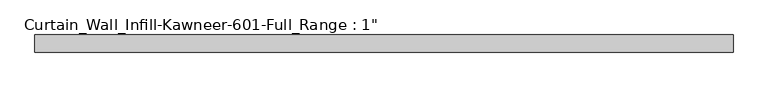
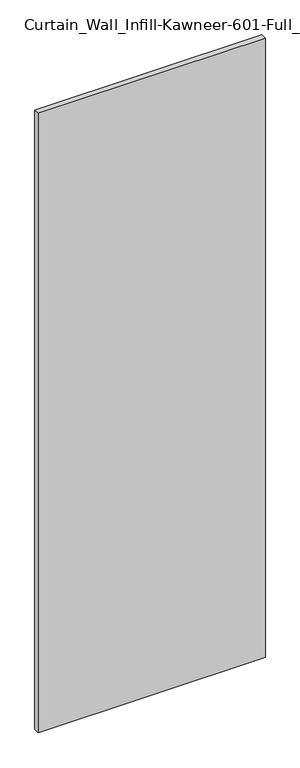
"""IFC4 building model written with IfcOpenShell, lengths in millimetres: plate geometry."""

import ifcopenshell
import ifcopenshell.guid

model = None  # the IFC model being written
_history = None  # IfcOwnerHistory: only IFC2X3 demands one
_inside = {}  # id of a spatial element -> (the spatial element, [elements in it])
_under = {}  # id of a project, library or spatial element -> (it, [spatial elements below it])
_declared = {}  # id of a project -> (the project, [libraries it declares])
_typed = {}  # id of a type object -> (the type object, [elements of that type])
_made_of = {}  # id of a material, layer set ... -> (it, [elements and type objects made of it])


def new_model(schema):
    """Start an empty IFC model of exactly this schema.

    Asked for "IFC4X3", IfcOpenShell would pick the latest addendum, in which some entities
    have other attributes; the version numbers below select the first issue.
    IFC2X3 requires an IfcOwnerHistory on every rooted entity: one is made here for all.
    """
    global model, _history
    if schema == "IFC4X3":
        model = ifcopenshell.file(schema_version=(4, 3, 0, 0))
    else:
        model = ifcopenshell.file(schema=schema)
    _inside.clear()
    _under.clear()
    _declared.clear()
    _typed.clear()
    _made_of.clear()
    _history = None
    if model.schema == "IFC2X3":
        org = make("IfcOrganization", Name="unknown")
        user = make(
            "IfcPersonAndOrganization",
            ThePerson=make("IfcPerson", FamilyName="unknown"),
            TheOrganization=org,
        )
        app = make(
            "IfcApplication",
            ApplicationDeveloper=org,
            Version="unknown",
            ApplicationFullName="unknown",
            ApplicationIdentifier="unknown",
        )
        _history = make(
            "IfcOwnerHistory",
            OwningUser=user,
            OwningApplication=app,
            ChangeAction="ADDED",
            CreationDate=0,
        )
    return model


def make(cls, **values):
    """One entity of the class cls with the attributes given. An attribute that is None is left unset."""
    return model.create_entity(
        cls, **{name: value for name, value in values.items() if value is not None}
    )


def rooted(cls, **values):
    """An entity with a GlobalId (a new one), such as an element, a storey or a relation."""
    return make(cls, GlobalId=ifcopenshell.guid.new(), OwnerHistory=_history, **values)


def si_unit(unit_type, name, prefix=None):
    """IfcSIUnit, for example si_unit("LENGTHUNIT", "METRE", prefix="MILLI")."""
    return make("IfcSIUnit", UnitType=unit_type, Prefix=prefix, Name=name)


def assignment(units):
    """IfcUnitAssignment: the units of a project."""
    return None if units is None else make("IfcUnitAssignment", Units=units)


def point(xyz):
    """IfcCartesianPoint."""
    return None if xyz is None else make("IfcCartesianPoint", Coordinates=xyz)


def direction(xyz):
    """IfcDirection."""
    return None if xyz is None else make("IfcDirection", DirectionRatios=xyz)


def frame(location, z_axis=None, x_axis=None):
    """IfcAxis2Placement3D, a coordinate frame: its origin and axes. An axis left out is left unset."""
    return make(
        "IfcAxis2Placement3D",
        Location=point(location),
        Axis=direction(z_axis),
        RefDirection=direction(x_axis),
    )


def origin():
    """The frame at (0, 0, 0) with its axes left unset."""
    return frame((0.0, 0.0, 0.0))


def origin_with_axes():
    """The frame at (0, 0, 0) with the z axis (0, 0, 1) and the x axis (1, 0, 0) written out."""
    return frame((0.0, 0.0, 0.0), z_axis=(0.0, 0.0, 1.0), x_axis=(1.0, 0.0, 0.0))


def place(relative_to, where):
    """IfcLocalPlacement: puts the frame where relative to a parent placement (None: the world)."""
    return make(
        "IfcLocalPlacement", PlacementRelTo=relative_to, RelativePlacement=where
    )


def context(
    kind, dimensions, precision=None, world=None, true_north=None, identifier=None
):
    """IfcGeometricRepresentationContext, for example the 3D "Model" context."""
    return make(
        "IfcGeometricRepresentationContext",
        ContextIdentifier=identifier,
        ContextType=kind,
        CoordinateSpaceDimension=dimensions,
        Precision=precision,
        WorldCoordinateSystem=world,
        TrueNorth=true_north,
    )


def project(units=None, contexts=None):
    """IfcProject with its units and contexts."""
    return rooted(
        "IfcProject",
        Name="project",
        RepresentationContexts=contexts,
        UnitsInContext=assignment(units),
    )


def spatial(cls, under=None, at=None, **own):
    """A site, building, storey or space (cls), placed at a placement, below another one or the project."""
    s = rooted(cls, ObjectPlacement=at, **own)
    if under is not None:
        _under.setdefault(under.id(), (under, []))[1].append(s)
    return s


def polyline(points):
    """IfcPolyline through the points."""
    return make("IfcPolyline", Points=[point(p) for p in points])


def outline(outer, holes=None, kind="AREA"):
    """IfcArbitraryClosedProfileDef: a profile drawn as a closed curve; with holes, ...WithVoids."""
    if holes is None:
        return make("IfcArbitraryClosedProfileDef", ProfileType=kind, OuterCurve=outer)
    return make(
        "IfcArbitraryProfileDefWithVoids",
        ProfileType=kind,
        OuterCurve=outer,
        InnerCurves=holes,
    )


def extrude(swept, where, along, depth):
    """IfcExtrudedAreaSolid: the profile swept, set in the frame where, extruded along a direction by depth."""
    return make(
        "IfcExtrudedAreaSolid",
        SweptArea=swept,
        Position=where,
        ExtrudedDirection=direction(along),
        Depth=depth,
    )


def shape(context_of_items, identifier, shape_type, items):
    """IfcShapeRepresentation: the items that make up one representation, for example the "Body"."""
    return make(
        "IfcShapeRepresentation",
        ContextOfItems=context_of_items,
        RepresentationIdentifier=identifier,
        RepresentationType=shape_type,
        Items=items,
    )


def source(mapping_origin, context_of_items, identifier, shape_type, items):
    """IfcRepresentationMap: a shape defined once, which mapped items show again and again."""
    return make(
        "IfcRepresentationMap",
        MappingOrigin=mapping_origin,
        MappedRepresentation=shape(context_of_items, identifier, shape_type, items),
    )


def transform(
    local_origin,
    x_axis=None,
    y_axis=None,
    z_axis=None,
    scale=None,
    scale2=None,
    scale3=None,
    uniform=True,
):
    """IfcCartesianTransformationOperator3D, or its non-uniform kind. x_axis, y_axis, z_axis: its Axis1, 2, 3."""
    if uniform:
        return make(
            "IfcCartesianTransformationOperator3D",
            Axis1=direction(x_axis),
            Axis2=direction(y_axis),
            LocalOrigin=point(local_origin),
            Scale=scale,
            Axis3=direction(z_axis),
        )
    return make(
        "IfcCartesianTransformationOperator3DnonUniform",
        Axis1=direction(x_axis),
        Axis2=direction(y_axis),
        LocalOrigin=point(local_origin),
        Scale=scale,
        Axis3=direction(z_axis),
        Scale2=scale2,
        Scale3=scale3,
    )


def mapped(mapping_source, mapping_target):
    """IfcMappedItem: shows the shape of a source again, moved by a transform."""
    return make(
        "IfcMappedItem", MappingSource=mapping_source, MappingTarget=mapping_target
    )


def made_of(thing, what):
    """Note that an element or type object is made of a material, layer set ...; save() writes the relation."""
    if what is not None:
        _made_of.setdefault(what.id(), (what, []))[1].append(thing)
    return thing


def element(
    cls,
    number,
    at=None,
    inside=None,
    cuts=None,
    type_object=None,
    material=None,
    context=None,
    identifier="Body",
    shape_type=None,
    held_by="IfcProductDefinitionShape",
    body=None,
    shapes=None,
    **own,
):
    """One element of the class cls, such as IfcWall. Its Tag is "e" and its number.

    at: its placement. inside: the storey or other place that contains it. cuts: it is an
    opening in that element (IfcRelVoidsElement). A single representation is given by context,
    identifier, shape_type and body (its items); several are given by shapes. held_by: the class
    of the entity that holds the representations. save() writes the other relations.
    """
    e = rooted(cls, Tag="e%d" % number, ObjectPlacement=at, **own)
    if body is not None:
        shapes = [shape(context, identifier, shape_type, body)]
    if shapes is not None:
        e.Representation = make(held_by, Representations=shapes)
    if inside is not None:
        _inside.setdefault(inside.id(), (inside, []))[1].append(e)
    if cuts is not None:
        rooted(
            "IfcRelVoidsElement", RelatingBuildingElement=cuts, RelatedOpeningElement=e
        )
    if type_object is not None:
        _typed.setdefault(type_object.id(), (type_object, []))[1].append(e)
    return made_of(e, material)


def aggregate(whole, parts):
    """IfcRelAggregates: a whole, such as a stair, and the parts it consists of."""
    return rooted("IfcRelAggregates", RelatingObject=whole, RelatedObjects=parts)


def save(model, path):
    """Write the relations noted so far, then the file.

    IfcRelAggregates (storeys below a building ...), IfcRelContainedInSpatialStructure (elements
    in a storey), IfcRelDefinesByType, IfcRelAssociatesMaterial and IfcRelDeclares: one each for
    every whole, place, type object, material and project.
    """
    for whole, parts in _under.values():
        aggregate(whole, parts)
    for where, things in _inside.values():
        rooted(
            "IfcRelContainedInSpatialStructure",
            RelatedElements=things,
            RelatingStructure=where,
        )
    for kind, things in _typed.values():
        rooted("IfcRelDefinesByType", RelatedObjects=things, RelatingType=kind)
    for what, things in _made_of.values():
        rooted("IfcRelAssociatesMaterial", RelatedObjects=things, RelatingMaterial=what)
    for by, libraries in _declared.values():
        rooted("IfcRelDeclares", RelatingContext=by, RelatedDefinitions=libraries)
    model.write(path)


def plate_644eb4fa(model_context):
    return source(origin(), model_context, "Body", "SweptSolid", [
        extrude(outline(polyline([(-508.0, -12.7), (-508.0, 12.7), (508.0, 12.7), (508.0, -12.7), (-508.0, -12.7)])), origin_with_axes(), (0.0, 0.0, 1.0), 2927.3190798),
    ])


if __name__ == "__main__":
    model = new_model("IFC4")
    model_context = context("Model", 3, world=origin())
    ifc_project = project(units=[si_unit("LENGTHUNIT", "METRE", prefix="MILLI")], contexts=[model_context])
    site = spatial("IfcSite", under=ifc_project)
    building = spatial("IfcBuilding", under=site)
    placement = place(None, origin())
    plate_shape = plate_644eb4fa(model_context)
    element("IfcPlate", 1, ObjectType="Curtain_Wall_Infill-Kawneer-601-Full_Range : 1\"", at=placement, inside=building, context=model_context, shape_type="MappedRepresentation", body=[
        mapped(plate_shape, transform((0.0, 0.0, 0.0), x_axis=(1.0, 0.0, 0.0), y_axis=(0.0, 1.0, 0.0), z_axis=(0.0, 0.0, 1.0))),
    ])
    save(model, "model.ifc")
